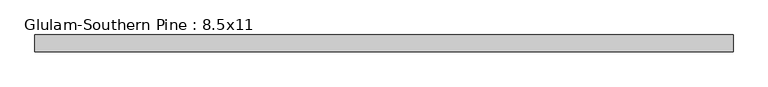
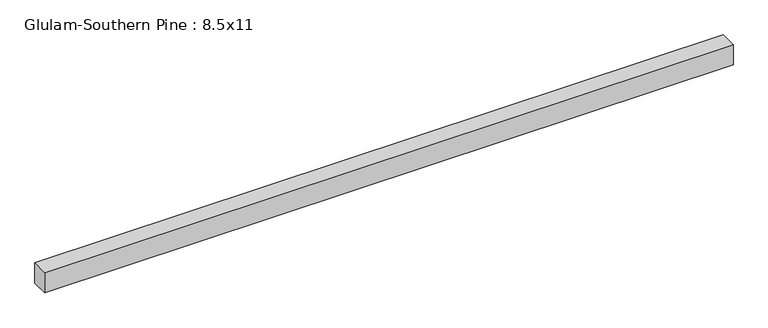
"""IFC4 building model written with IfcOpenShell, lengths in millimetres: beam geometry, Glulam-Southern Pine : 8.5x11."""

from ifc_helpers import new_model, si_unit, frame, origin, place, context, project, spatial, polyline, outline, extrude, source, transform, mapped, element, save


def glulam_southern_pine_8_5x11_beb9c77a(model_context):
    return source(origin(), model_context, "Body", "SweptSolid", [
        extrude(outline(polyline([(4445.0, 107.95), (4445.0, -107.95), (-4445.0, -107.95), (-4445.0, 107.95), (4445.0, 107.95)])), frame((0.0, 0.0, -139.7), z_axis=(0.0, 0.0, 1.0), x_axis=(1.0, 0.0, 0.0)), (0.0, 0.0, 1.0), 279.4),
    ])


if __name__ == "__main__":
    model = new_model("IFC4")
    model_context = context("Model", 3, world=origin())
    ifc_project = project(units=[si_unit("LENGTHUNIT", "METRE", prefix="MILLI")], contexts=[model_context])
    site = spatial("IfcSite", under=ifc_project)
    building = spatial("IfcBuilding", under=site)
    placement = place(None, origin())
    glulam_southern_pine_8_5x11_shape = glulam_southern_pine_8_5x11_beb9c77a(model_context)
    element("IfcBeam", 1, ObjectType="Glulam-Southern Pine : 8.5x11", at=placement, inside=building, context=model_context, shape_type="MappedRepresentation", body=[
        mapped(glulam_southern_pine_8_5x11_shape, transform((0.0, 0.0, 0.0), x_axis=(1.0, 0.0, 0.0), y_axis=(0.0, 1.0, 0.0), z_axis=(0.0, 0.0, 1.0))),
    ])
    save(model, "model.ifc")
